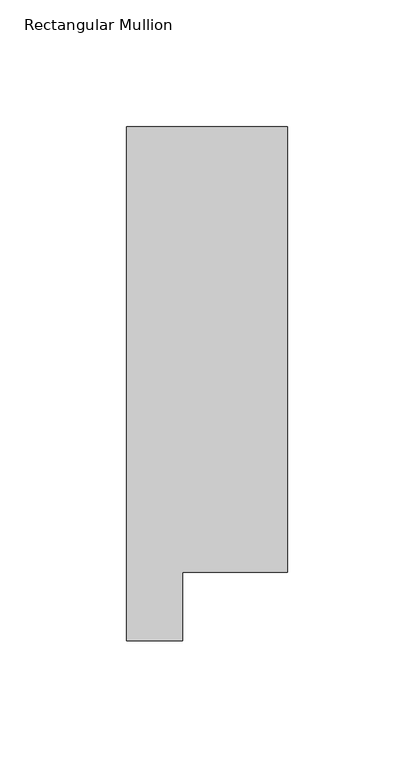
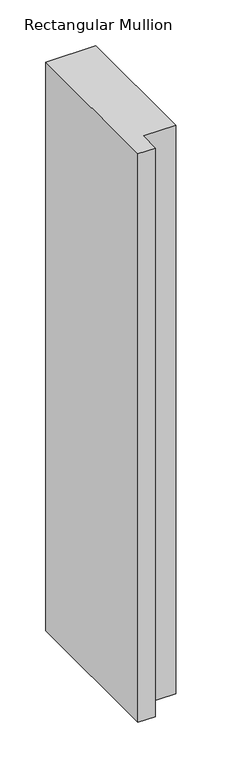
"""IFC4 building model written with IfcOpenShell, lengths in millimetres: member geometry, Rectangular Mullion."""

from ifc_helpers import new_model, si_unit, frame, origin, place, context, project, spatial, polyline, outline, extrude, source, transform, mapped, element, save


def rectangular_mullion_7f271646(model_context):
    return source(origin(), model_context, "Body", "SweptSolid", [
        extrude(outline(polyline([(-63.5, 222.5381312), (-5e-07, 222.5381312), (-5e-07, 46.7447302), (-41.2877005, 46.7447302), (-41.2877005, 19.5667312), (-63.5, 19.5667312), (-63.5, 222.5381312)])), frame((0.0, 0.0, -762.0), z_axis=(0.0, 0.0, 1.0), x_axis=(1.0, 0.0, 0.0)), (0.0, 0.0, 1.0), 762.0),
    ])


if __name__ == "__main__":
    model = new_model("IFC4")
    model_context = context("Model", 3, world=origin())
    ifc_project = project(units=[si_unit("LENGTHUNIT", "METRE", prefix="MILLI")], contexts=[model_context])
    site = spatial("IfcSite", under=ifc_project)
    building = spatial("IfcBuilding", under=site)
    placement = place(None, origin())
    rectangular_mullion_shape = rectangular_mullion_7f271646(model_context)
    element("IfcMember", 1, ObjectType="Rectangular Mullion", at=placement, inside=building, context=model_context, shape_type="MappedRepresentation", body=[
        mapped(rectangular_mullion_shape, transform((0.0, 0.0, 0.0), x_axis=(1.0, 0.0, 0.0), y_axis=(0.0, 1.0, 0.0), z_axis=(0.0, 0.0, 1.0))),
    ])
    save(model, "model.ifc")
